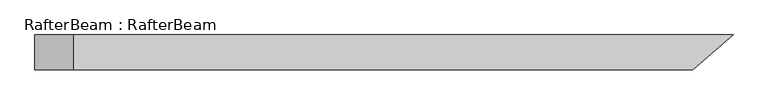
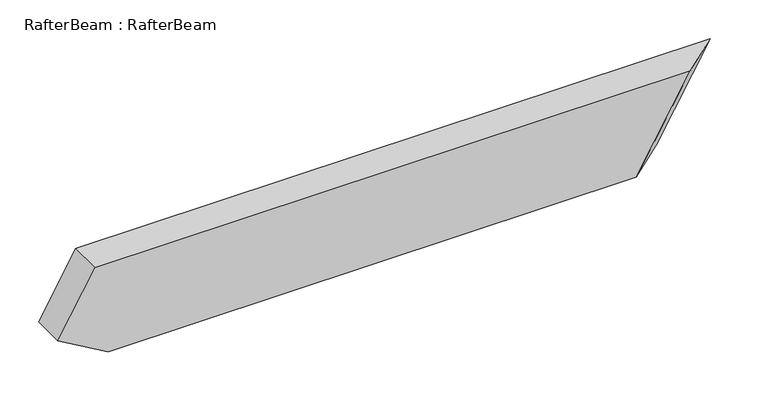
"""IFC4 building model written with IfcOpenShell, lengths in millimetres: beam geometry, RafterBeam : RafterBeam."""

from ifc_helpers import new_model, si_unit, origin, place, context, project, spatial, faceted_brep, source, transform, mapped, element, save


def rafterbeam_rafterbeam_4ce0b1a0(model_context):
    return source(origin(), model_context, "Body", "Brep", [
        faceted_brep([(468.1518255, 25.0, 70.0), (-479.8422237, 25.0, 70.0), (-479.8422237, -25.0, 70.0), (409.8829639, -25.0, 70.0), (329.0539262, -25.0, -70.0), (-460.6712614, -25.0, -70.0), (-460.6712614, 25.0, -70.0), (387.3227878, 25.0, -70.0), (-535.6712614, -25.0, -26.6987298), (-535.6712614, 25.0, -26.6987298)], [[[0, 1, 2, 3]], [[4, 5, 6, 7]], [[3, 2, 8, 5, 4]], [[7, 6, 9, 1, 0]], [[0, 3, 4, 7]], [[1, 9, 8, 2]], [[5, 8, 9, 6]]]),
    ])


if __name__ == "__main__":
    model = new_model("IFC4")
    model_context = context("Model", 3, world=origin())
    ifc_project = project(units=[si_unit("LENGTHUNIT", "METRE", prefix="MILLI")], contexts=[model_context])
    site = spatial("IfcSite", under=ifc_project)
    building = spatial("IfcBuilding", under=site)
    placement = place(None, origin())
    rafterbeam_rafterbeam_shape = rafterbeam_rafterbeam_4ce0b1a0(model_context)
    element("IfcBeam", 1, ObjectType="RafterBeam : RafterBeam", at=placement, inside=building, context=model_context, shape_type="MappedRepresentation", body=[
        mapped(rafterbeam_rafterbeam_shape, transform((0.0, 0.0, 0.0), x_axis=(1.0, 0.0, 0.0), y_axis=(0.0, 1.0, 0.0), z_axis=(0.0, 0.0, 1.0))),
    ])
    save(model, "model.ifc")
